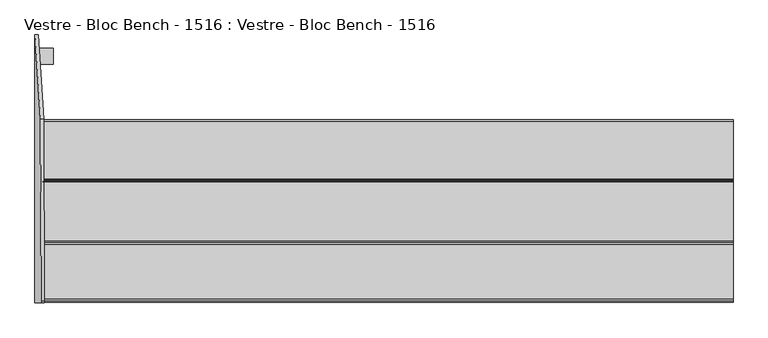
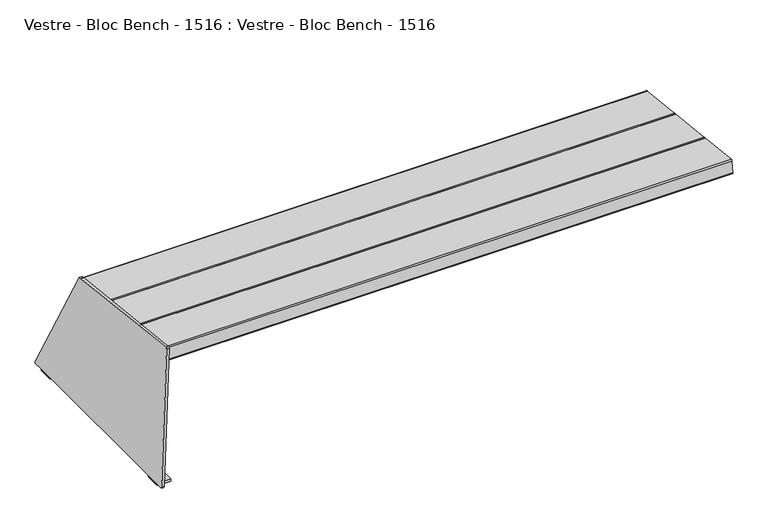
"""IFC4 building model written with IfcOpenShell, lengths in millimetres: furniture geometry, Vestre - Bloc Bench - 1516 : Vestre - Bloc Bench - 1516."""

from ifc_helpers import new_model, si_unit, point, frame, frame_2d, origin, place, context, project, spatial, polyline, circle_curve, trimmed, segment, composite_curve, outline, extrude, source, transform, mapped, element, save
from ifc_brep_helpers import plane_surface, cylinder_surface, revolved_surface, advanced_brep


def vestre_bloc_bench_1516_vestre_bloc_bench_1516_0aa83b46(model_context):
    return source(origin(), model_context, "Body", "SolidModel", [
        advanced_brep(
        [(-867.8018633, 124.9540587, 408.8991383), (-881.6844457, 336.0793859, 11.3539925), (-881.7221912, 333.3438949, 10.2731042), (-881.7221912, 303.3438949, 10.2731042), (-881.7221912, 263.3438949, 10.2731042), (-881.7221912, -263.3438949, 10.2731042), (-881.7221912, -303.3438949, 10.2731042), (-881.7221912, -329.3438949, 10.2731042), (-881.5825932, -333.3438949, 14.2706676), (-866.2114206, -333.3438949, 454.4434578), (-866.0726472, -328.9097929, 458.4174101), (-859.8067367, 124.9540587, 408.6199423), (-858.0775206, -328.9097929, 458.1382142), (-858.216294, -333.3438949, 454.1642618), (-873.5874666, -333.3438949, 13.9914716), (-873.7270646, -329.3438949, 9.9939083), (-873.7270646, -303.3438949, 9.9939083), (-873.7592787, -303.3438949, 9.0714168), (-873.7592787, -263.3438949, 9.0714168), (-873.7270646, -263.3438949, 9.9939083), (-873.7270646, 263.3438949, 9.9939083), (-873.7592787, 263.3438949, 9.0714168), (-873.7592787, 303.3438949, 9.0714168), (-873.7270646, 303.3438949, 9.9939083), (-873.7270646, 333.3438949, 9.9939083), (-873.6893191, 336.0793859, 11.0747965), (-872.7246235, -303.3438949, 8.0), (-881.7221912, -303.3438949, 8.2703475), (-873.7845921, -303.3438949, 0.0), (-836.0809359, -303.3438949, 0.0), (-836.0809359, -303.3438949, 8.0), (-872.7246235, -263.3438949, 8.0), (-836.0809359, -263.3438949, 8.0), (-836.0809359, -263.3438949, 0.0), (-873.7845921, -263.3438949, 0.0), (-881.7221912, -263.3438949, 8.2703475), (-872.7246235, 303.3438949, 8.0), (-836.0809359, 303.3438949, 8.0), (-836.0809359, 303.3438949, 0.0), (-873.7845921, 303.3438949, 0.0), (-881.7221912, 303.3438949, 8.2703475), (-872.7246235, 263.3438949, 8.0), (-881.7221912, 263.3438949, 8.2703475), (-873.7845921, 263.3438949, 0.0), (-836.0809359, 263.3438949, 0.0), (-836.0809359, 263.3438949, 8.0)],
        [
            (0, 1),
            (1, 2, circle_curve(frame((-881.5825887, 333.3438949, 14.2707962), z_axis=(-0.9993908270190959, 0.0, 0.0348994967025008), x_axis=(-0.0348994967025008, 0.0, -0.9993908270190959)), 4.0001287)),
            (2, 3),
            (3, 4),
            (4, 5),
            (5, 6),
            (6, 7),
            (7, 8, circle_curve(frame((-881.5825932, -329.3438949, 14.2706676), z_axis=(-0.9993908270190959, 0.0, 0.0348994967025008), x_axis=(-0.0348994967025008, 0.0, -0.9993908270190959)), 4.0)),
            (8, 9),
            (9, 10, circle_curve(frame((-866.2114206, -329.3438949, 454.4434578), z_axis=(-0.9993908270190959, 0.0, 0.0348994967025008), x_axis=(-0.0348994967025008, 0.0, -0.9993908270190959)), 4.0)),
            (10, 0),
            (11, 12),
            (12, 13, circle_curve(frame((-858.216294, -329.3438949, 454.1642618), z_axis=(0.9993908270190959, 0.0, -0.0348994967025008), x_axis=(-0.0348994967025008, 0.0, -0.9993908270190959)), 4.0)),
            (13, 14),
            (14, 15, circle_curve(frame((-873.5874666, -329.3438949, 13.9914716), z_axis=(0.9993908270190959, 0.0, -0.0348994967025008), x_axis=(-0.0348994967025008, 0.0, -0.9993908270190959)), 4.0)),
            (15, 16),
            (16, 17),
            (17, 18),
            (18, 19),
            (19, 20),
            (20, 21),
            (21, 22),
            (22, 23),
            (23, 24),
            (24, 25, circle_curve(frame((-873.5874621, 333.3438949, 13.9916002), z_axis=(0.9993908270190959, 0.0, -0.0348994967025008), x_axis=(-0.0348994967025008, 0.0, -0.9993908270190959)), 4.0001287)),
            (25, 11),
            (0, 11),
            (25, 1),
            (24, 2),
            (23, 3),
            (15, 7),
            (6, 16),
            (19, 5),
            (4, 20),
            (14, 8),
            (13, 9),
            (12, 10),
            (26, 17, circle_curve(frame((-872.7246235, -303.3438949, 9.0352858), z_axis=(0.0, 1.0, 0.0), x_axis=(1.0, 0.0, 0.0)), 1.0352858)),
            (6, 27),
            (27, 28, circle_curve(frame((-873.4448692, -303.3438949, 8.2703475), z_axis=(0.0, -1.0, 0.0), x_axis=(1.0, 0.0, 0.0)), 8.277322)),
            (28, 29),
            (29, 30),
            (30, 26),
            (31, 32),
            (32, 33),
            (33, 34),
            (34, 35, circle_curve(frame((-873.4448692, -263.3438949, 8.2703475), z_axis=(0.0, 1.0, 0.0), x_axis=(1.0, 0.0, 0.0)), 8.277322)),
            (35, 5),
            (18, 31, circle_curve(frame((-872.7246235, -263.3438949, 9.0352858), z_axis=(0.0, -1.0, 0.0), x_axis=(1.0, 0.0, 0.0)), 1.0352858)),
            (26, 31),
            (28, 34),
            (33, 29),
            (32, 30),
            (35, 27),
            (36, 37),
            (37, 38),
            (38, 39),
            (39, 40, circle_curve(frame((-873.4448692, 303.3438949, 8.2703475), z_axis=(0.0, 1.0, 0.0), x_axis=(1.0, 0.0, 0.0)), 8.277322)),
            (40, 3),
            (22, 36, circle_curve(frame((-872.7246235, 303.3438949, 9.0352858), z_axis=(0.0, -1.0, 0.0), x_axis=(1.0, 0.0, 0.0)), 1.0352858)),
            (41, 21, circle_curve(frame((-872.7246235, 263.3438949, 9.0352858), z_axis=(0.0, 1.0, 0.0), x_axis=(1.0, 0.0, 0.0)), 1.0352858)),
            (4, 42),
            (42, 43, circle_curve(frame((-873.4448692, 263.3438949, 8.2703475), z_axis=(0.0, -1.0, 0.0), x_axis=(1.0, 0.0, 0.0)), 8.277322)),
            (43, 44),
            (44, 45),
            (45, 41),
            (41, 36),
            (38, 44),
            (43, 39),
            (37, 45),
            (40, 42),
        ],
        [
            plane_surface(frame((-867.7611698, 124.3351949, 410.0644476), z_axis=(-0.9993908270190959, 0.0, 0.0348994967025008), x_axis=(-0.030826689731681154, 0.46881010804538603, -0.8827608950302795))),
            plane_surface(frame((-859.7660432, 124.3351949, 409.7852516), z_axis=(0.9993908270190959, 0.0, -0.0348994967025008), x_axis=(0.030826689731681154, -0.46881010804538603, 0.8827608950302795))),
            plane_surface(frame((-867.8018633, 124.9540587, 408.8991383), z_axis=(0.01636123681982749, 0.8832989769010681, 0.4685245215943901), x_axis=(0.9993908270190959, 0.0, -0.03489949670249758))),
            cylinder_surface(frame((-873.5874621, 333.3438949, 13.9916002), z_axis=(-0.9993908270190959, 0.0, 0.0348994967025008), x_axis=(-0.0348994967025008, 0.0, -0.9993908270190959)), 4.0001287),
            plane_surface(frame((-881.7221912, 333.3438949, 10.2731042), z_axis=(-0.03489949670249758, 0.0, -0.9993908270190959), x_axis=(0.9993908270190959, 0.0, -0.03489949670249758))),
            cylinder_surface(frame((-873.5874666, -329.3438949, 13.9914716), z_axis=(-0.9993908270190959, 0.0, 0.0348994967025008), x_axis=(-0.0348994967025008, 0.0, -0.9993908270190959)), 4.0),
            plane_surface(frame((-881.5825932, -333.3438949, 14.2706676), z_axis=(0.0, -1.0, 0.0), x_axis=(0.9993908270190959, 0.0, -0.03489949670249758))),
            cylinder_surface(frame((-858.216294, -329.3438949, 454.1642618), z_axis=(-0.9993908270190959, 0.0, 0.0348994967025008), x_axis=(-0.0348994967025008, 0.0, -0.9993908270190959)), 4.0),
            plane_surface(frame((-866.0726472, -328.9097929, 458.4174101), z_axis=(0.03469336856703176, 0.1085255092275189, 0.9934880895231608), x_axis=(0.9993908270190959, 0.0, -0.03489949670249758))),
            plane_surface(frame((-871.6893377, -303.3438949, 9.0352858), z_axis=(0.0, -1.0, 0.0), x_axis=(0.0, 0.0, -1.0))),
            plane_surface(frame((-871.6893377, -263.3438949, 9.0352858), z_axis=(0.0, 1.0, 0.0), x_axis=(0.0, 0.0, 1.0))),
            revolved_surface(polyline([(-871.6893377, -263.3438949, 9.0352858), (-871.6893377, -303.3438949, 9.0352858)]), (-872.7246235, -263.3438949, 9.0352858), (0.0, 1.0, 0.0)),
            plane_surface(frame((-873.7845921, -303.3438949, 0.0), z_axis=(0.0, 0.0, -1.0), x_axis=(0.0, 1.0, 0.0))),
            plane_surface(frame((-836.0809359, -303.3438949, 0.0), z_axis=(1.0, 0.0, 0.0), x_axis=(0.0, 1.0, 0.0))),
            plane_surface(frame((-836.0809359, -303.3438949, 8.0), z_axis=(0.0, 0.0, 1.0), x_axis=(0.0, 1.0, 0.0))),
            plane_surface(frame((-881.7221912, -303.3438949, 10.2731042), z_axis=(-1.0, 0.0, 0.0), x_axis=(0.0, 1.0, 0.0))),
            cylinder_surface(frame((-873.4448692, -263.3438949, 8.2703475), z_axis=(0.0, -1.0, 0.0), x_axis=(1.0, 0.0, 0.0)), 8.277322),
            plane_surface(frame((-836.0809359, 303.3438949, 8.0), z_axis=(0.0, 1.0, 0.0), x_axis=(1.0, 0.0, 0.0))),
            plane_surface(frame((-836.0809359, 263.3438949, 8.0), z_axis=(0.0, -1.0, 0.0), x_axis=(-1.0, 0.0, 0.0))),
            revolved_surface(polyline([(-871.6893377, 263.3438949, 9.0352858), (-871.6893377, 303.3438949, 9.0352858)]), (-872.7246235, 263.3438949, 9.0352858), (0.0, -1.0, 0.0)),
            plane_surface(frame((-836.0809359, 303.3438949, 0.0), z_axis=(0.0, 0.0, -1.0), x_axis=(0.0, -1.0, 0.0))),
            plane_surface(frame((-836.0809359, 303.3438949, 8.0), z_axis=(1.0, 0.0, 0.0), x_axis=(0.0, -1.0, 0.0))),
            plane_surface(frame((-872.7246235, 303.3438949, 8.0), z_axis=(0.0, 0.0, 1.0), x_axis=(0.0, -1.0, 0.0))),
            plane_surface(frame((-881.7221912, 303.3438949, 8.2703475), z_axis=(-1.0, 0.0, 0.0), x_axis=(0.0, -1.0, 0.0))),
            cylinder_surface(frame((-873.4448692, 263.3438949, 8.2703475), z_axis=(0.0, 1.0, 0.0), x_axis=(1.0, 0.0, 0.0)), 8.277322),
        ],
        [
            (0, [[1, 2, 3, 4, 5, 6, 7, 8, 9, 10, 11]]),
            (1, [[12, 13, 14, 15, 16, 17, 18, 19, 20, 21, 22, 23, 24, 25, 26]]),
            (2, [[-1, 27, -26, 28]]),
            (3, [[-2, -28, -25, 29]]),
            (4, [[-29, -24, 30, -3]]),
            (4, [[31, -7, 32, -16]]),
            (4, [[33, -5, 34, -20]]),
            (5, [[-8, -31, -15, 35]]),
            (6, [[-9, -35, -14, 36]]),
            (7, [[-10, -36, -13, 37]]),
            (8, [[-11, -37, -12, -27]]),
            (9, [[38, -17, -32, 39, 40, 41, 42, 43]]),
            (10, [[44, 45, 46, 47, 48, -33, -19, 49]]),
            (11, [[-38, 50, -49, -18]]),
            (12, [[-41, 51, -46, 52]]),
            (13, [[-42, -52, -45, 53]]),
            (14, [[-43, -53, -44, -50]]),
            (15, [[-39, -6, -48, 54]]),
            (16, [[-40, -54, -47, -51]]),
            (17, [[55, 56, 57, 58, 59, -30, -23, 60]]),
            (18, [[61, -21, -34, 62, 63, 64, 65, 66]]),
            (19, [[-60, -22, -61, 67]]),
            (20, [[-57, 68, -64, 69]]),
            (21, [[-56, 70, -65, -68]]),
            (22, [[-55, -67, -66, -70]]),
            (23, [[-59, 71, -62, -4]]),
            (24, [[-58, -69, -63, -71]]),
        ],
    ),
        extrude(outline(composite_curve([segment(polyline([(123.9787542, 403.7835392), (120.1847471, 369.0041334)]), True, "CONTINUOUS"), segment(trimmed(circle_curve(frame_2d((116.2083371, 369.4379111)), 4.0), [point((120.1847471, 369.0041334))], [point((115.7745594, 365.461501))], False, "CARTESIAN"), True, "CONTINUOUS"), segment(polyline([(115.7745594, 365.461501), (-27.604912, 381.1024449)]), True, "CONTINUOUS"), segment(trimmed(circle_curve(frame_2d((-27.1711344, 385.0788549)), 4.0), [point((-27.604912, 381.1024449))], [point((-31.1475445, 385.5126325))], False, "CARTESIAN"), True, "CONTINUOUS"), segment(polyline([(-31.1475445, 385.5126325), (-27.3532892, 420.2943128)]), True, "CONTINUOUS"), segment(trimmed(circle_curve(frame_2d((-23.3768792, 419.8605352)), 4.0), [point((-27.3532892, 420.2943128))], [point((-22.9430385, 423.8369384))], False, "CARTESIAN"), True, "CONTINUOUS"), segment(polyline([(-22.9430385, 423.8369384), (120.4361849, 408.19372)]), True, "CONTINUOUS"), segment(trimmed(circle_curve(frame_2d((120.0023442, 404.2173168)), 4.0), [point((120.4361849, 408.19372))], [point((123.9787542, 403.7835392))], False, "CARTESIAN"), True, "CONTINUOUS")], self_intersect=False)), frame((-862.0984844, 0.0, 0.0), z_axis=(1.0, 0.0, 0.0), x_axis=(0.0, 1.0, 0.0)), (0.0, 0.0, 1.0), 1724.082636),
        extrude(outline(composite_curve([segment(polyline([(-27.3532755, 420.294439), (-31.1475371, 385.5127004)]), True, "CONTINUOUS"), segment(trimmed(circle_curve(frame_2d((-35.1239471, 385.946478)), 4.0), [point((-31.1475371, 385.5127004))], [point((-35.5577247, 381.970068))], False, "CARTESIAN"), True, "CONTINUOUS"), segment(polyline([(-35.5577247, 381.970068), (-183.0076404, 398.0550474)]), True, "CONTINUOUS"), segment(trimmed(circle_curve(frame_2d((-182.5738627, 402.0314575)), 4.0), [point((-183.0076404, 398.0550474))], [point((-186.5502728, 402.4652351))], False, "CARTESIAN"), True, "CONTINUOUS"), segment(polyline([(-186.5502728, 402.4652351), (-182.755756, 437.2493128)]), True, "CONTINUOUS"), segment(trimmed(circle_curve(frame_2d((-178.779346, 436.8155352)), 4.0), [point((-182.755756, 437.2493128))], [point((-178.3455053, 440.7919384))], False, "CARTESIAN"), True, "CONTINUOUS"), segment(polyline([(-178.3455053, 440.7919384), (-30.8958448, 424.7046198)]), True, "CONTINUOUS"), segment(trimmed(circle_curve(frame_2d((-31.3296855, 420.7282166)), 4.0), [point((-30.8958448, 424.7046198))], [point((-27.3532755, 420.294439))], False, "CARTESIAN"), True, "CONTINUOUS")], self_intersect=False)), frame((-862.0984844, 0.0, 0.0), z_axis=(1.0, 0.0, 0.0), x_axis=(0.0, 1.0, 0.0)), (0.0, 0.0, 1.0), 1724.082636),
        extrude(outline(composite_curve([segment(polyline([(-182.7557423, 437.249439), (-186.5502613, 402.4653401)]), True, "CONTINUOUS"), segment(trimmed(circle_curve(frame_2d((-190.5266714, 402.8991177)), 4.0), [point((-186.5502613, 402.4653401))], [point((-190.960449, 398.9227077))], False, "CARTESIAN"), True, "CONTINUOUS"), segment(polyline([(-190.960449, 398.9227077), (-327.8209994, 413.8525171)]), True, "CONTINUOUS"), segment(trimmed(circle_curve(frame_2d((-327.3872218, 417.8289272)), 4.0), [point((-327.8209994, 413.8525171))], [point((-331.3636318, 418.2627048))], False, "CARTESIAN"), True, "CONTINUOUS"), segment(polyline([(-331.3636318, 418.2627048), (-327.5688759, 453.0489748)]), True, "CONTINUOUS"), segment(trimmed(circle_curve(frame_2d((-323.5924659, 452.6151972)), 4.0), [point((-327.5688759, 453.0489748))], [point((-323.1586252, 456.5916003))], False, "CARTESIAN"), True, "CONTINUOUS"), segment(polyline([(-323.1586252, 456.5916003), (-186.2983116, 441.6596198)]), True, "CONTINUOUS"), segment(trimmed(circle_curve(frame_2d((-186.7321523, 437.6832166)), 4.0), [point((-186.2983116, 441.6596198))], [point((-182.7557423, 437.249439))], False, "CARTESIAN"), True, "CONTINUOUS")], self_intersect=False)), frame((-862.0984844, 0.0, 0.0), z_axis=(1.0, 0.0, 0.0), x_axis=(0.0, 1.0, 0.0)), (0.0, 0.0, 1.0), 1724.082636),
    ])


if __name__ == "__main__":
    model = new_model("IFC4")
    model_context = context("Model", 3, world=origin())
    ifc_project = project(units=[si_unit("LENGTHUNIT", "METRE", prefix="MILLI")], contexts=[model_context])
    site = spatial("IfcSite", under=ifc_project)
    building = spatial("IfcBuilding", under=site)
    placement = place(None, origin())
    vestre_bloc_bench_1516_vestre_bloc_bench_1516_shape = vestre_bloc_bench_1516_vestre_bloc_bench_1516_0aa83b46(model_context)
    element("IfcFurniture", 1, ObjectType="Vestre - Bloc Bench - 1516 : Vestre - Bloc Bench - 1516", at=placement, inside=building, context=model_context, shape_type="MappedRepresentation", body=[
        mapped(vestre_bloc_bench_1516_vestre_bloc_bench_1516_shape, transform((0.0, 0.0, 0.0), x_axis=(1.0, 0.0, 0.0), y_axis=(0.0, 1.0, 0.0), z_axis=(0.0, 0.0, 1.0))),
    ])
    save(model, "model.ifc")
